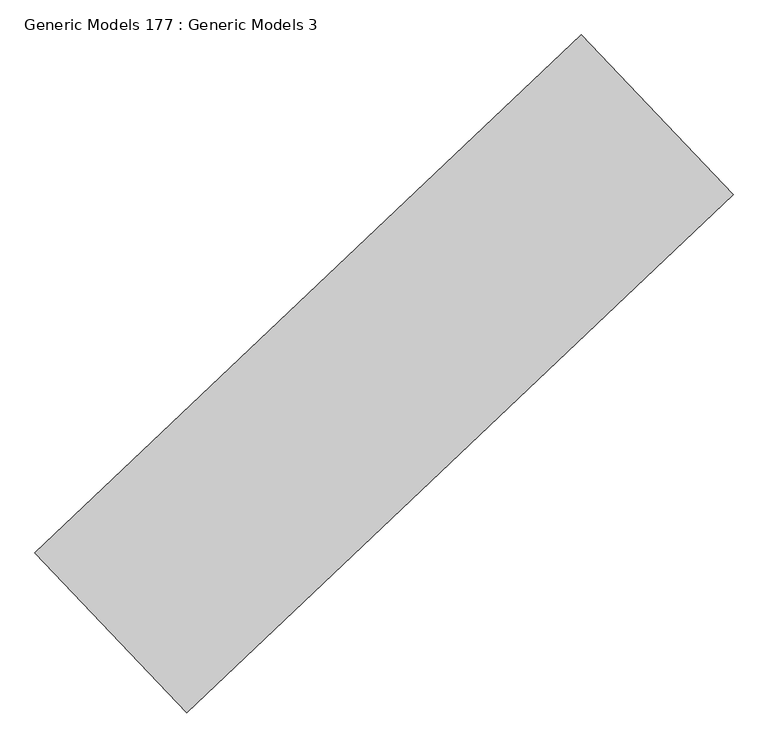
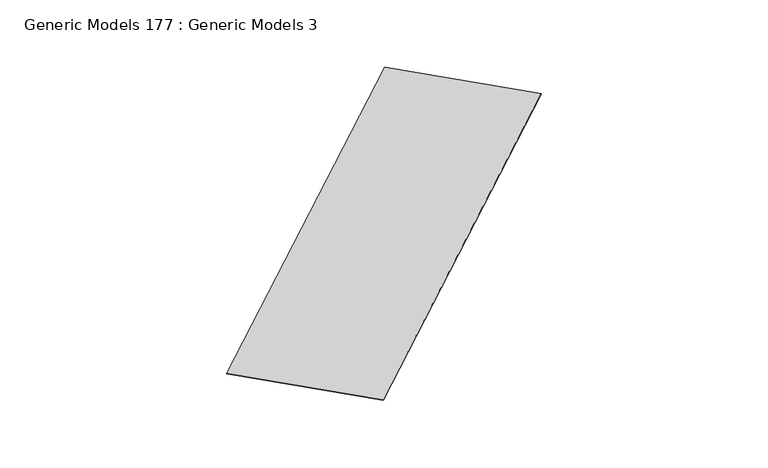
"""IFC4 building model written with IfcOpenShell, lengths in millimetres: proxy geometry, Generic Models 177 : Generic Models 3."""

from ifc_helpers import new_model, si_unit, frame, origin, place, context, project, spatial, polyline, outline, extrude, source, transform, mapped, element, save


def generic_models_177_generic_models_3_2613770d(model_context):
    return source(origin(), model_context, "Body", "SweptSolid", [
        extrude(outline(polyline([(106469.3800462, 63064.0317744), (108248.5032073, 61189.2271468), (101841.3801943, 55109.0944329), (100062.2570332, 56983.8990605), (106469.3800462, 63064.0317744)])), frame((0.0, 0.0, 17170.4), z_axis=(0.0, 0.0, 1.0), x_axis=(1.0, 0.0, 0.0)), (0.0, 0.0, 1.0), 15.875),
    ])


if __name__ == "__main__":
    model = new_model("IFC4")
    model_context = context("Model", 3, world=origin())
    ifc_project = project(units=[si_unit("LENGTHUNIT", "METRE", prefix="MILLI")], contexts=[model_context])
    site = spatial("IfcSite", under=ifc_project)
    building = spatial("IfcBuilding", under=site)
    placement = place(None, origin())
    generic_models_177_generic_models_3_shape = generic_models_177_generic_models_3_2613770d(model_context)
    element("IfcBuildingElementProxy", 1, Name="Generic Models 177 : Generic Models 3", ObjectType="Generic Models 177 : Generic Models 3", at=placement, inside=building, context=model_context, shape_type="MappedRepresentation", body=[
        mapped(generic_models_177_generic_models_3_shape, transform((0.0, 0.0, 0.0), x_axis=(1.0, 0.0, 0.0), y_axis=(0.0, 1.0, 0.0), z_axis=(0.0, 0.0, 1.0))),
    ])
    save(model, "model.ifc")
